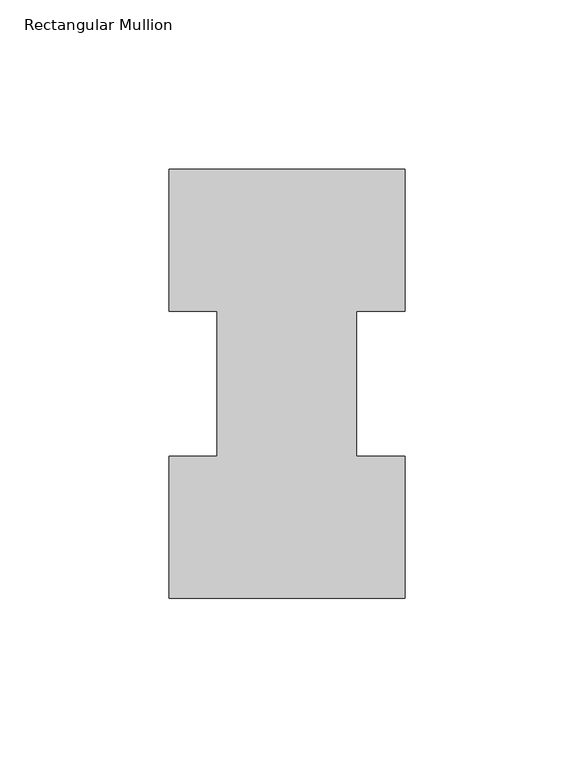
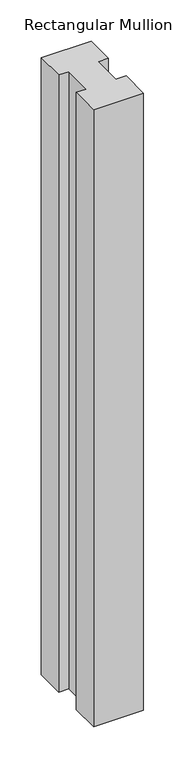
"""IFC4 building model written with IfcOpenShell, lengths in millimetres: member geometry, Rectangular Mullion."""

from ifc_helpers import new_model, si_unit, frame, origin, place, context, project, spatial, polyline, outline, extrude, source, transform, mapped, element, save


def rectangular_mullion_37d464db(model_context):
    return source(origin(), model_context, "Body", "SweptSolid", [
        extrude(outline(polyline([(-38.1, 127.00635), (31.75, 127.00635), (31.75, 84.93125), (17.4625, 84.93125), (17.4625, 42.08145), (31.75, 42.08145), (31.75, 0.00635), (-38.1, 0.00635), (-38.1, 42.08145), (-23.8125, 42.08145), (-23.8125, 84.93125), (-38.1, 84.93125), (-38.1, 127.00635)])), frame((0.0, 0.0, -914.4), z_axis=(0.0, 0.0, 1.0), x_axis=(1.0, 0.0, 0.0)), (0.0, 0.0, 1.0), 914.4),
    ])


if __name__ == "__main__":
    model = new_model("IFC4")
    model_context = context("Model", 3, world=origin())
    ifc_project = project(units=[si_unit("LENGTHUNIT", "METRE", prefix="MILLI")], contexts=[model_context])
    site = spatial("IfcSite", under=ifc_project)
    building = spatial("IfcBuilding", under=site)
    placement = place(None, origin())
    rectangular_mullion_shape = rectangular_mullion_37d464db(model_context)
    element("IfcMember", 1, ObjectType="Rectangular Mullion", at=placement, inside=building, context=model_context, shape_type="MappedRepresentation", body=[
        mapped(rectangular_mullion_shape, transform((0.0, 0.0, 0.0), x_axis=(1.0, 0.0, 0.0), y_axis=(0.0, 1.0, 0.0), z_axis=(0.0, 0.0, 1.0))),
    ])
    save(model, "model.ifc")
